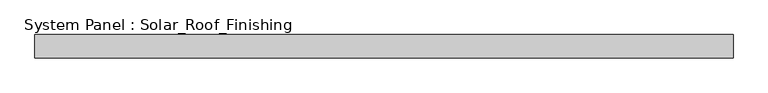
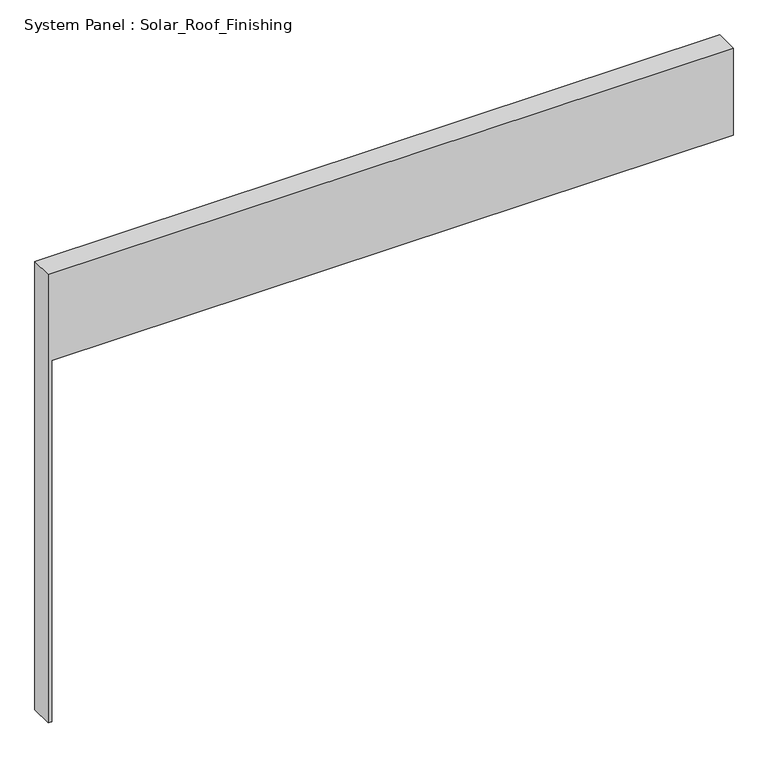
"""IFC4 building model written with IfcOpenShell, lengths in millimetres: plate geometry, System Panel : Solar_Roof_Finishing."""

import ifcopenshell
import ifcopenshell.guid

model = None  # the IFC model being written
_history = None  # IfcOwnerHistory: only IFC2X3 demands one
_inside = {}  # id of a spatial element -> (the spatial element, [elements in it])
_under = {}  # id of a project, library or spatial element -> (it, [spatial elements below it])
_declared = {}  # id of a project -> (the project, [libraries it declares])
_typed = {}  # id of a type object -> (the type object, [elements of that type])
_made_of = {}  # id of a material, layer set ... -> (it, [elements and type objects made of it])


def new_model(schema):
    """Start an empty IFC model of exactly this schema.

    Asked for "IFC4X3", IfcOpenShell would pick the latest addendum, in which some entities
    have other attributes; the version numbers below select the first issue.
    IFC2X3 requires an IfcOwnerHistory on every rooted entity: one is made here for all.
    """
    global model, _history
    if schema == "IFC4X3":
        model = ifcopenshell.file(schema_version=(4, 3, 0, 0))
    else:
        model = ifcopenshell.file(schema=schema)
    _inside.clear()
    _under.clear()
    _declared.clear()
    _typed.clear()
    _made_of.clear()
    _history = None
    if model.schema == "IFC2X3":
        org = make("IfcOrganization", Name="unknown")
        user = make(
            "IfcPersonAndOrganization",
            ThePerson=make("IfcPerson", FamilyName="unknown"),
            TheOrganization=org,
        )
        app = make(
            "IfcApplication",
            ApplicationDeveloper=org,
            Version="unknown",
            ApplicationFullName="unknown",
            ApplicationIdentifier="unknown",
        )
        _history = make(
            "IfcOwnerHistory",
            OwningUser=user,
            OwningApplication=app,
            ChangeAction="ADDED",
            CreationDate=0,
        )
    return model


def make(cls, **values):
    """One entity of the class cls with the attributes given. An attribute that is None is left unset."""
    return model.create_entity(
        cls, **{name: value for name, value in values.items() if value is not None}
    )


def rooted(cls, **values):
    """An entity with a GlobalId (a new one), such as an element, a storey or a relation."""
    return make(cls, GlobalId=ifcopenshell.guid.new(), OwnerHistory=_history, **values)


def si_unit(unit_type, name, prefix=None):
    """IfcSIUnit, for example si_unit("LENGTHUNIT", "METRE", prefix="MILLI")."""
    return make("IfcSIUnit", UnitType=unit_type, Prefix=prefix, Name=name)


def assignment(units):
    """IfcUnitAssignment: the units of a project."""
    return None if units is None else make("IfcUnitAssignment", Units=units)


def point(xyz):
    """IfcCartesianPoint."""
    return None if xyz is None else make("IfcCartesianPoint", Coordinates=xyz)


def direction(xyz):
    """IfcDirection."""
    return None if xyz is None else make("IfcDirection", DirectionRatios=xyz)


def frame(location, z_axis=None, x_axis=None):
    """IfcAxis2Placement3D, a coordinate frame: its origin and axes. An axis left out is left unset."""
    return make(
        "IfcAxis2Placement3D",
        Location=point(location),
        Axis=direction(z_axis),
        RefDirection=direction(x_axis),
    )


def origin():
    """The frame at (0, 0, 0) with its axes left unset."""
    return frame((0.0, 0.0, 0.0))


def place(relative_to, where):
    """IfcLocalPlacement: puts the frame where relative to a parent placement (None: the world)."""
    return make(
        "IfcLocalPlacement", PlacementRelTo=relative_to, RelativePlacement=where
    )


def context(
    kind, dimensions, precision=None, world=None, true_north=None, identifier=None
):
    """IfcGeometricRepresentationContext, for example the 3D "Model" context."""
    return make(
        "IfcGeometricRepresentationContext",
        ContextIdentifier=identifier,
        ContextType=kind,
        CoordinateSpaceDimension=dimensions,
        Precision=precision,
        WorldCoordinateSystem=world,
        TrueNorth=true_north,
    )


def project(units=None, contexts=None):
    """IfcProject with its units and contexts."""
    return rooted(
        "IfcProject",
        Name="project",
        RepresentationContexts=contexts,
        UnitsInContext=assignment(units),
    )


def spatial(cls, under=None, at=None, **own):
    """A site, building, storey or space (cls), placed at a placement, below another one or the project."""
    s = rooted(cls, ObjectPlacement=at, **own)
    if under is not None:
        _under.setdefault(under.id(), (under, []))[1].append(s)
    return s


def polyline(points):
    """IfcPolyline through the points."""
    return make("IfcPolyline", Points=[point(p) for p in points])


def outline(outer, holes=None, kind="AREA"):
    """IfcArbitraryClosedProfileDef: a profile drawn as a closed curve; with holes, ...WithVoids."""
    if holes is None:
        return make("IfcArbitraryClosedProfileDef", ProfileType=kind, OuterCurve=outer)
    return make(
        "IfcArbitraryProfileDefWithVoids",
        ProfileType=kind,
        OuterCurve=outer,
        InnerCurves=holes,
    )


def extrude(swept, where, along, depth):
    """IfcExtrudedAreaSolid: the profile swept, set in the frame where, extruded along a direction by depth."""
    return make(
        "IfcExtrudedAreaSolid",
        SweptArea=swept,
        Position=where,
        ExtrudedDirection=direction(along),
        Depth=depth,
    )


def shape(context_of_items, identifier, shape_type, items):
    """IfcShapeRepresentation: the items that make up one representation, for example the "Body"."""
    return make(
        "IfcShapeRepresentation",
        ContextOfItems=context_of_items,
        RepresentationIdentifier=identifier,
        RepresentationType=shape_type,
        Items=items,
    )


def source(mapping_origin, context_of_items, identifier, shape_type, items):
    """IfcRepresentationMap: a shape defined once, which mapped items show again and again."""
    return make(
        "IfcRepresentationMap",
        MappingOrigin=mapping_origin,
        MappedRepresentation=shape(context_of_items, identifier, shape_type, items),
    )


def transform(
    local_origin,
    x_axis=None,
    y_axis=None,
    z_axis=None,
    scale=None,
    scale2=None,
    scale3=None,
    uniform=True,
):
    """IfcCartesianTransformationOperator3D, or its non-uniform kind. x_axis, y_axis, z_axis: its Axis1, 2, 3."""
    if uniform:
        return make(
            "IfcCartesianTransformationOperator3D",
            Axis1=direction(x_axis),
            Axis2=direction(y_axis),
            LocalOrigin=point(local_origin),
            Scale=scale,
            Axis3=direction(z_axis),
        )
    return make(
        "IfcCartesianTransformationOperator3DnonUniform",
        Axis1=direction(x_axis),
        Axis2=direction(y_axis),
        LocalOrigin=point(local_origin),
        Scale=scale,
        Axis3=direction(z_axis),
        Scale2=scale2,
        Scale3=scale3,
    )


def mapped(mapping_source, mapping_target):
    """IfcMappedItem: shows the shape of a source again, moved by a transform."""
    return make(
        "IfcMappedItem", MappingSource=mapping_source, MappingTarget=mapping_target
    )


def made_of(thing, what):
    """Note that an element or type object is made of a material, layer set ...; save() writes the relation."""
    if what is not None:
        _made_of.setdefault(what.id(), (what, []))[1].append(thing)
    return thing


def element(
    cls,
    number,
    at=None,
    inside=None,
    cuts=None,
    type_object=None,
    material=None,
    context=None,
    identifier="Body",
    shape_type=None,
    held_by="IfcProductDefinitionShape",
    body=None,
    shapes=None,
    **own,
):
    """One element of the class cls, such as IfcWall. Its Tag is "e" and its number.

    at: its placement. inside: the storey or other place that contains it. cuts: it is an
    opening in that element (IfcRelVoidsElement). A single representation is given by context,
    identifier, shape_type and body (its items); several are given by shapes. held_by: the class
    of the entity that holds the representations. save() writes the other relations.
    """
    e = rooted(cls, Tag="e%d" % number, ObjectPlacement=at, **own)
    if body is not None:
        shapes = [shape(context, identifier, shape_type, body)]
    if shapes is not None:
        e.Representation = make(held_by, Representations=shapes)
    if inside is not None:
        _inside.setdefault(inside.id(), (inside, []))[1].append(e)
    if cuts is not None:
        rooted(
            "IfcRelVoidsElement", RelatingBuildingElement=cuts, RelatedOpeningElement=e
        )
    if type_object is not None:
        _typed.setdefault(type_object.id(), (type_object, []))[1].append(e)
    return made_of(e, material)


def aggregate(whole, parts):
    """IfcRelAggregates: a whole, such as a stair, and the parts it consists of."""
    return rooted("IfcRelAggregates", RelatingObject=whole, RelatedObjects=parts)


def save(model, path):
    """Write the relations noted so far, then the file.

    IfcRelAggregates (storeys below a building ...), IfcRelContainedInSpatialStructure (elements
    in a storey), IfcRelDefinesByType, IfcRelAssociatesMaterial and IfcRelDeclares: one each for
    every whole, place, type object, material and project.
    """
    for whole, parts in _under.values():
        aggregate(whole, parts)
    for where, things in _inside.values():
        rooted(
            "IfcRelContainedInSpatialStructure",
            RelatedElements=things,
            RelatingStructure=where,
        )
    for kind, things in _typed.values():
        rooted("IfcRelDefinesByType", RelatedObjects=things, RelatingType=kind)
    for what, things in _made_of.values():
        rooted("IfcRelAssociatesMaterial", RelatedObjects=things, RelatingMaterial=what)
    for by, libraries in _declared.values():
        rooted("IfcRelDeclares", RelatingContext=by, RelatedDefinitions=libraries)
    model.write(path)


def system_panel_solar_roof_finishing_6971e31c(model_context):
    return source(origin(), model_context, "Body", "SweptSolid", [
        extrude(outline(polyline([(0.0, -895.5), (0.0, -886.5), (998.889113, -886.5), (998.889113, 895.5), (1240.0, 895.5), (1240.0, -895.5), (0.0, -895.5)])), frame((0.0, -10.5, 0.0), z_axis=(0.0, 1.0, 0.0), x_axis=(0.0, 0.0, 1.0)), (0.0, 0.0, 1.0), 60.0),
    ])


if __name__ == "__main__":
    model = new_model("IFC4")
    model_context = context("Model", 3, world=origin())
    ifc_project = project(units=[si_unit("LENGTHUNIT", "METRE", prefix="MILLI")], contexts=[model_context])
    site = spatial("IfcSite", under=ifc_project)
    building = spatial("IfcBuilding", under=site)
    placement = place(None, origin())
    system_panel_solar_roof_finishing_shape = system_panel_solar_roof_finishing_6971e31c(model_context)
    element("IfcPlate", 1, ObjectType="System Panel : Solar_Roof_Finishing", at=placement, inside=building, context=model_context, shape_type="MappedRepresentation", body=[
        mapped(system_panel_solar_roof_finishing_shape, transform((0.0, 0.0, 0.0), x_axis=(1.0, 0.0, 0.0), y_axis=(0.0, 1.0, 0.0), z_axis=(0.0, 0.0, 1.0))),
    ])
    save(model, "model.ifc")
